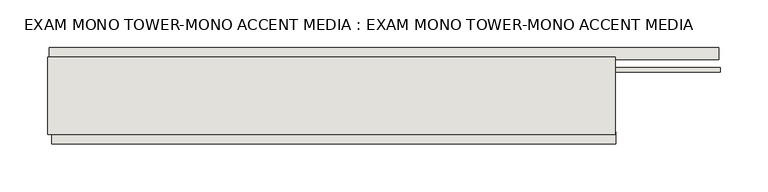
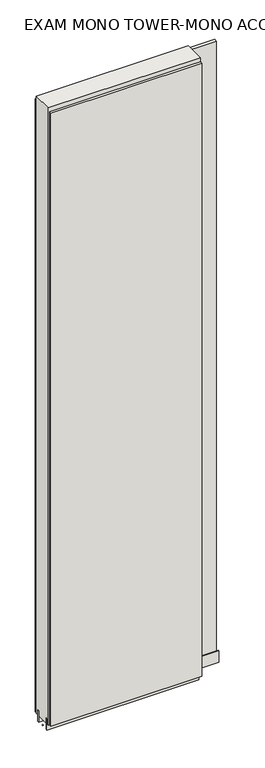
"""IFC4 building model written with IfcOpenShell, lengths in millimetres: wall geometry, EXAM MONO TOWER-MONO ACCENT MEDIA : EXAM MONO TOWER-MONO ACCENT MEDIA."""

from ifc_helpers import new_model, si_unit, frame, origin, place, context, project, spatial, polyline, outline, extrude, source, transform, mapped, element, save


def exam_mono_tower_mono_accent_media_exam_mono_tower_mono_881fd0b4(model_context):
    return source(origin(), model_context, "Body", "SweptSolid", [
        extrude(outline(polyline([(84011.335914, -47157.7745692), (84008.795914, -47157.7745692), (84008.795914, -47155.2345692), (84011.335914, -47155.2345692), (84011.335914, -47157.7745692)])), frame((0.0, 0.0, 4419.6), z_axis=(0.0, 0.0, 1.0), x_axis=(1.0, 0.0, 0.0)), (0.0, 0.0, 1.0), 2.54),
        extrude(outline(polyline([(84010.7967228, -47105.7045692), (84714.2967128, -47105.7045692), (84714.2967128, -47118.4045692), (84010.7967228, -47118.4045692), (84010.7967228, -47105.7045692)])), frame((0.0, 0.0, 4445.0), z_axis=(0.0, 0.0, 1.0), x_axis=(1.0, 0.0, 0.0)), (0.0, 0.0, 1.0), 2545.0498756),
        extrude(outline(polyline([(84606.1565176, -47207.3045692), (84013.2565604, -47207.3045692), (84013.2565604, -47194.6045692), (84606.1565176, -47194.6045692), (84606.1565176, -47207.3045692)])), frame((0.0, 0.0, 4445.0), z_axis=(0.0, 0.0, 1.0), x_axis=(1.0, 0.0, 0.0)), (0.0, 0.0, 1.0), 2545.0498756),
        extrude(outline(polyline([(84716.2925686, -47131.4270222), (84008.800867, -47131.4270222), (84008.800867, -47126.3482668), (84716.2925686, -47126.3482668), (84716.2925686, -47131.4270222)])), frame((0.0, 0.0, 4418.6602), z_axis=(0.0, 0.0, 1.0), x_axis=(1.0, 0.0, 0.0)), (0.0, 0.0, 1.0), 47.625),
        extrude(outline(polyline([(84716.2925686, -47131.4270222), (84008.800867, -47131.4270222), (84008.800867, -47126.3482668), (84716.2925686, -47126.3482668), (84716.2925686, -47131.4270222)])), frame((0.0, 0.0, 4418.6602), z_axis=(0.0, 0.0, 1.0), x_axis=(1.0, 0.0, 0.0)), (0.0, 0.0, 1.0), 47.625),
        extrude(outline(polyline([(84008.800867, -47181.5914126), (84605.700867, -47181.5914126), (84605.700867, -47186.6732668), (84008.800867, -47186.6732668), (84008.800867, -47181.5914126)])), frame((0.0, 0.0, 4418.6602), z_axis=(0.0, 0.0, 1.0), x_axis=(1.0, 0.0, 0.0)), (0.0, 0.0, 1.0), 47.625),
        extrude(outline(polyline([(84008.800867, -47181.5914126), (84605.700867, -47181.5914126), (84605.700867, -47186.6732668), (84008.800867, -47186.6732668), (84008.800867, -47181.5914126)])), frame((0.0, 0.0, 4418.6602), z_axis=(0.0, 0.0, 1.0), x_axis=(1.0, 0.0, 0.0)), (0.0, 0.0, 1.0), 47.625),
        extrude(outline(polyline([(84605.700867, -47115.8558824), (84605.700867, -47197.1377366), (84008.800867, -47197.1377366), (84008.800867, -47115.8558824), (84605.700867, -47115.8558824)])), frame((0.0, 0.0, 4445.0), z_axis=(0.0, 0.0, 1.0), x_axis=(1.0, 0.0, 0.0)), (0.0, 0.0, 1.0), 2562.4536762),
    ])


if __name__ == "__main__":
    model = new_model("IFC4")
    model_context = context("Model", 3, world=origin())
    ifc_project = project(units=[si_unit("LENGTHUNIT", "METRE", prefix="MILLI")], contexts=[model_context])
    site = spatial("IfcSite", under=ifc_project)
    building = spatial("IfcBuilding", under=site)
    placement = place(None, origin())
    exam_mono_tower_mono_accent_media_exam_mono_tower_mono_shape = exam_mono_tower_mono_accent_media_exam_mono_tower_mono_881fd0b4(model_context)
    element("IfcWall", 1, ObjectType="EXAM MONO TOWER-MONO ACCENT MEDIA : EXAM MONO TOWER-MONO ACCENT MEDIA", at=placement, inside=building, context=model_context, shape_type="MappedRepresentation", body=[
        mapped(exam_mono_tower_mono_accent_media_exam_mono_tower_mono_shape, transform((0.0, 0.0, 0.0), x_axis=(1.0, 0.0, 0.0), y_axis=(0.0, 1.0, 0.0), z_axis=(0.0, 0.0, 1.0))),
    ])
    save(model, "model.ifc")
